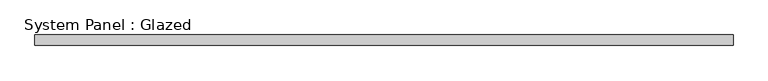
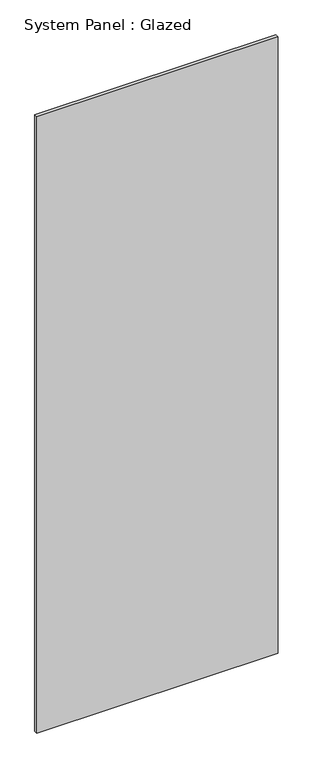
"""IFC4 building model written with IfcOpenShell, lengths in millimetres: plate geometry, System Panel : Glazed."""

import ifcopenshell
import ifcopenshell.guid

model = None  # the IFC model being written
_history = None  # IfcOwnerHistory: only IFC2X3 demands one
_inside = {}  # id of a spatial element -> (the spatial element, [elements in it])
_under = {}  # id of a project, library or spatial element -> (it, [spatial elements below it])
_declared = {}  # id of a project -> (the project, [libraries it declares])
_typed = {}  # id of a type object -> (the type object, [elements of that type])
_made_of = {}  # id of a material, layer set ... -> (it, [elements and type objects made of it])


def new_model(schema):
    """Start an empty IFC model of exactly this schema.

    Asked for "IFC4X3", IfcOpenShell would pick the latest addendum, in which some entities
    have other attributes; the version numbers below select the first issue.
    IFC2X3 requires an IfcOwnerHistory on every rooted entity: one is made here for all.
    """
    global model, _history
    if schema == "IFC4X3":
        model = ifcopenshell.file(schema_version=(4, 3, 0, 0))
    else:
        model = ifcopenshell.file(schema=schema)
    _inside.clear()
    _under.clear()
    _declared.clear()
    _typed.clear()
    _made_of.clear()
    _history = None
    if model.schema == "IFC2X3":
        org = make("IfcOrganization", Name="unknown")
        user = make(
            "IfcPersonAndOrganization",
            ThePerson=make("IfcPerson", FamilyName="unknown"),
            TheOrganization=org,
        )
        app = make(
            "IfcApplication",
            ApplicationDeveloper=org,
            Version="unknown",
            ApplicationFullName="unknown",
            ApplicationIdentifier="unknown",
        )
        _history = make(
            "IfcOwnerHistory",
            OwningUser=user,
            OwningApplication=app,
            ChangeAction="ADDED",
            CreationDate=0,
        )
    return model


def make(cls, **values):
    """One entity of the class cls with the attributes given. An attribute that is None is left unset."""
    return model.create_entity(
        cls, **{name: value for name, value in values.items() if value is not None}
    )


def rooted(cls, **values):
    """An entity with a GlobalId (a new one), such as an element, a storey or a relation."""
    return make(cls, GlobalId=ifcopenshell.guid.new(), OwnerHistory=_history, **values)


def si_unit(unit_type, name, prefix=None):
    """IfcSIUnit, for example si_unit("LENGTHUNIT", "METRE", prefix="MILLI")."""
    return make("IfcSIUnit", UnitType=unit_type, Prefix=prefix, Name=name)


def assignment(units):
    """IfcUnitAssignment: the units of a project."""
    return None if units is None else make("IfcUnitAssignment", Units=units)


def point(xyz):
    """IfcCartesianPoint."""
    return None if xyz is None else make("IfcCartesianPoint", Coordinates=xyz)


def direction(xyz):
    """IfcDirection."""
    return None if xyz is None else make("IfcDirection", DirectionRatios=xyz)


def frame(location, z_axis=None, x_axis=None):
    """IfcAxis2Placement3D, a coordinate frame: its origin and axes. An axis left out is left unset."""
    return make(
        "IfcAxis2Placement3D",
        Location=point(location),
        Axis=direction(z_axis),
        RefDirection=direction(x_axis),
    )


def origin():
    """The frame at (0, 0, 0) with its axes left unset."""
    return frame((0.0, 0.0, 0.0))


def origin_with_axes():
    """The frame at (0, 0, 0) with the z axis (0, 0, 1) and the x axis (1, 0, 0) written out."""
    return frame((0.0, 0.0, 0.0), z_axis=(0.0, 0.0, 1.0), x_axis=(1.0, 0.0, 0.0))


def place(relative_to, where):
    """IfcLocalPlacement: puts the frame where relative to a parent placement (None: the world)."""
    return make(
        "IfcLocalPlacement", PlacementRelTo=relative_to, RelativePlacement=where
    )


def context(
    kind, dimensions, precision=None, world=None, true_north=None, identifier=None
):
    """IfcGeometricRepresentationContext, for example the 3D "Model" context."""
    return make(
        "IfcGeometricRepresentationContext",
        ContextIdentifier=identifier,
        ContextType=kind,
        CoordinateSpaceDimension=dimensions,
        Precision=precision,
        WorldCoordinateSystem=world,
        TrueNorth=true_north,
    )


def project(units=None, contexts=None):
    """IfcProject with its units and contexts."""
    return rooted(
        "IfcProject",
        Name="project",
        RepresentationContexts=contexts,
        UnitsInContext=assignment(units),
    )


def spatial(cls, under=None, at=None, **own):
    """A site, building, storey or space (cls), placed at a placement, below another one or the project."""
    s = rooted(cls, ObjectPlacement=at, **own)
    if under is not None:
        _under.setdefault(under.id(), (under, []))[1].append(s)
    return s


def polyline(points):
    """IfcPolyline through the points."""
    return make("IfcPolyline", Points=[point(p) for p in points])


def outline(outer, holes=None, kind="AREA"):
    """IfcArbitraryClosedProfileDef: a profile drawn as a closed curve; with holes, ...WithVoids."""
    if holes is None:
        return make("IfcArbitraryClosedProfileDef", ProfileType=kind, OuterCurve=outer)
    return make(
        "IfcArbitraryProfileDefWithVoids",
        ProfileType=kind,
        OuterCurve=outer,
        InnerCurves=holes,
    )


def extrude(swept, where, along, depth):
    """IfcExtrudedAreaSolid: the profile swept, set in the frame where, extruded along a direction by depth."""
    return make(
        "IfcExtrudedAreaSolid",
        SweptArea=swept,
        Position=where,
        ExtrudedDirection=direction(along),
        Depth=depth,
    )


def shape(context_of_items, identifier, shape_type, items):
    """IfcShapeRepresentation: the items that make up one representation, for example the "Body"."""
    return make(
        "IfcShapeRepresentation",
        ContextOfItems=context_of_items,
        RepresentationIdentifier=identifier,
        RepresentationType=shape_type,
        Items=items,
    )


def source(mapping_origin, context_of_items, identifier, shape_type, items):
    """IfcRepresentationMap: a shape defined once, which mapped items show again and again."""
    return make(
        "IfcRepresentationMap",
        MappingOrigin=mapping_origin,
        MappedRepresentation=shape(context_of_items, identifier, shape_type, items),
    )


def transform(
    local_origin,
    x_axis=None,
    y_axis=None,
    z_axis=None,
    scale=None,
    scale2=None,
    scale3=None,
    uniform=True,
):
    """IfcCartesianTransformationOperator3D, or its non-uniform kind. x_axis, y_axis, z_axis: its Axis1, 2, 3."""
    if uniform:
        return make(
            "IfcCartesianTransformationOperator3D",
            Axis1=direction(x_axis),
            Axis2=direction(y_axis),
            LocalOrigin=point(local_origin),
            Scale=scale,
            Axis3=direction(z_axis),
        )
    return make(
        "IfcCartesianTransformationOperator3DnonUniform",
        Axis1=direction(x_axis),
        Axis2=direction(y_axis),
        LocalOrigin=point(local_origin),
        Scale=scale,
        Axis3=direction(z_axis),
        Scale2=scale2,
        Scale3=scale3,
    )


def mapped(mapping_source, mapping_target):
    """IfcMappedItem: shows the shape of a source again, moved by a transform."""
    return make(
        "IfcMappedItem", MappingSource=mapping_source, MappingTarget=mapping_target
    )


def made_of(thing, what):
    """Note that an element or type object is made of a material, layer set ...; save() writes the relation."""
    if what is not None:
        _made_of.setdefault(what.id(), (what, []))[1].append(thing)
    return thing


def element(
    cls,
    number,
    at=None,
    inside=None,
    cuts=None,
    type_object=None,
    material=None,
    context=None,
    identifier="Body",
    shape_type=None,
    held_by="IfcProductDefinitionShape",
    body=None,
    shapes=None,
    **own,
):
    """One element of the class cls, such as IfcWall. Its Tag is "e" and its number.

    at: its placement. inside: the storey or other place that contains it. cuts: it is an
    opening in that element (IfcRelVoidsElement). A single representation is given by context,
    identifier, shape_type and body (its items); several are given by shapes. held_by: the class
    of the entity that holds the representations. save() writes the other relations.
    """
    e = rooted(cls, Tag="e%d" % number, ObjectPlacement=at, **own)
    if body is not None:
        shapes = [shape(context, identifier, shape_type, body)]
    if shapes is not None:
        e.Representation = make(held_by, Representations=shapes)
    if inside is not None:
        _inside.setdefault(inside.id(), (inside, []))[1].append(e)
    if cuts is not None:
        rooted(
            "IfcRelVoidsElement", RelatingBuildingElement=cuts, RelatedOpeningElement=e
        )
    if type_object is not None:
        _typed.setdefault(type_object.id(), (type_object, []))[1].append(e)
    return made_of(e, material)


def aggregate(whole, parts):
    """IfcRelAggregates: a whole, such as a stair, and the parts it consists of."""
    return rooted("IfcRelAggregates", RelatingObject=whole, RelatedObjects=parts)


def save(model, path):
    """Write the relations noted so far, then the file.

    IfcRelAggregates (storeys below a building ...), IfcRelContainedInSpatialStructure (elements
    in a storey), IfcRelDefinesByType, IfcRelAssociatesMaterial and IfcRelDeclares: one each for
    every whole, place, type object, material and project.
    """
    for whole, parts in _under.values():
        aggregate(whole, parts)
    for where, things in _inside.values():
        rooted(
            "IfcRelContainedInSpatialStructure",
            RelatedElements=things,
            RelatingStructure=where,
        )
    for kind, things in _typed.values():
        rooted("IfcRelDefinesByType", RelatedObjects=things, RelatingType=kind)
    for what, things in _made_of.values():
        rooted("IfcRelAssociatesMaterial", RelatedObjects=things, RelatingMaterial=what)
    for by, libraries in _declared.values():
        rooted("IfcRelDeclares", RelatingContext=by, RelatedDefinitions=libraries)
    model.write(path)


def system_panel_glazed_66d7be7a(model_context):
    return source(origin(), model_context, "Body", "SweptSolid", [
        extrude(outline(polyline([(833.3333333, 24.5), (-833.3333333, 24.5), (-833.3333333, 49.5), (833.3333333, 49.5), (833.3333333, 24.5)])), origin_with_axes(), (0.0, 0.0, 1.0), 4500.0),
    ])


if __name__ == "__main__":
    model = new_model("IFC4")
    model_context = context("Model", 3, world=origin())
    ifc_project = project(units=[si_unit("LENGTHUNIT", "METRE", prefix="MILLI")], contexts=[model_context])
    site = spatial("IfcSite", under=ifc_project)
    building = spatial("IfcBuilding", under=site)
    placement = place(None, origin())
    system_panel_glazed_shape = system_panel_glazed_66d7be7a(model_context)
    element("IfcPlate", 1, ObjectType="System Panel : Glazed", at=placement, inside=building, context=model_context, shape_type="MappedRepresentation", body=[
        mapped(system_panel_glazed_shape, transform((0.0, 0.0, 0.0), x_axis=(1.0, 0.0, 0.0), y_axis=(0.0, 1.0, 0.0), z_axis=(0.0, 0.0, 1.0))),
    ])
    save(model, "model.ifc")
